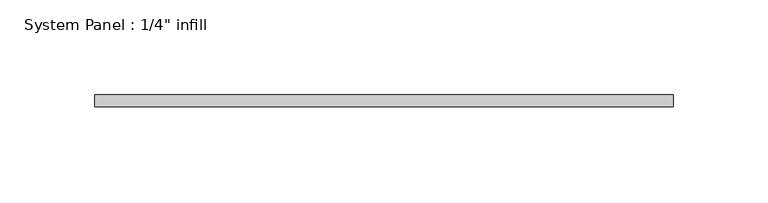
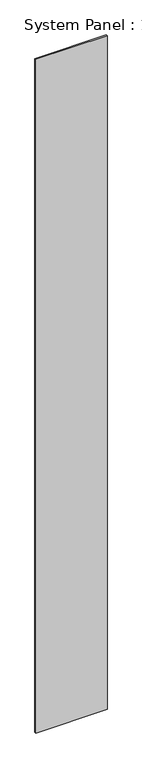
"""IFC4 building model written with IfcOpenShell, lengths in millimetres: plate geometry."""

from ifc_helpers import new_model, si_unit, origin, origin_with_axes, place, context, project, spatial, polyline, outline, extrude, source, transform, mapped, element, save


def plate_ef6f3554(model_context):
    return source(origin(), model_context, "Body", "SweptSolid", [
        extrude(outline(polyline([(152.4232148, 0.0), (-152.4232148, 0.0), (-152.4232148, 6.35), (152.4232148, 6.35), (152.4232148, 0.0)])), origin_with_axes(), (0.0, 0.0, 1.0), 3048.0),
    ])


if __name__ == "__main__":
    model = new_model("IFC4")
    model_context = context("Model", 3, world=origin())
    ifc_project = project(units=[si_unit("LENGTHUNIT", "METRE", prefix="MILLI")], contexts=[model_context])
    site = spatial("IfcSite", under=ifc_project)
    building = spatial("IfcBuilding", under=site)
    placement = place(None, origin())
    plate_shape = plate_ef6f3554(model_context)
    element("IfcPlate", 1, ObjectType="System Panel : 1/4\" infill", at=placement, inside=building, context=model_context, shape_type="MappedRepresentation", body=[
        mapped(plate_shape, transform((0.0, 0.0, 0.0), x_axis=(1.0, 0.0, 0.0), y_axis=(0.0, 1.0, 0.0), z_axis=(0.0, 0.0, 1.0))),
    ])
    save(model, "model.ifc")
